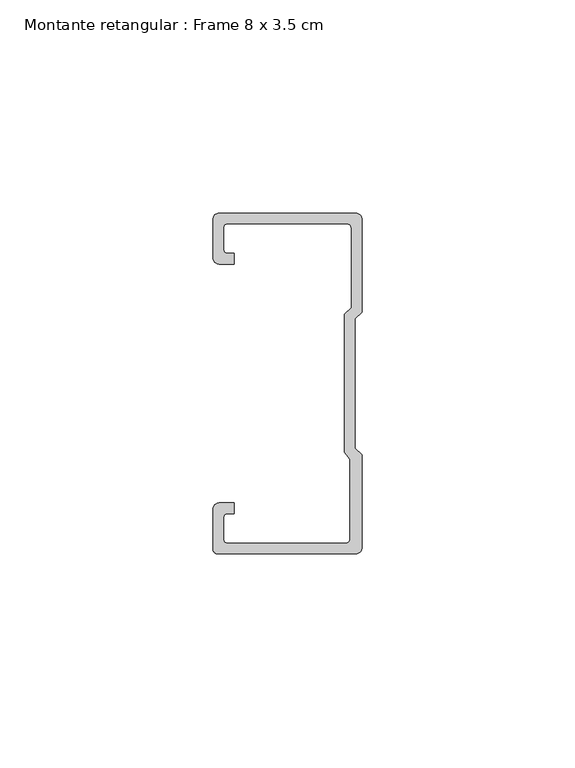
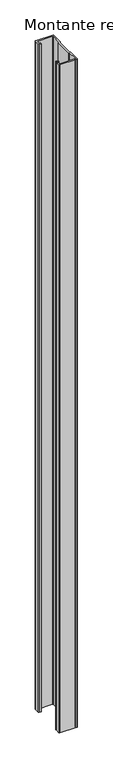
"""IFC4 building model written with IfcOpenShell, lengths in millimetres: member geometry, Montante retangular : Frame 8 x 3.5 cm."""

import ifcopenshell
import ifcopenshell.guid

model = None  # the IFC model being written
_history = None  # IfcOwnerHistory: only IFC2X3 demands one
_inside = {}  # id of a spatial element -> (the spatial element, [elements in it])
_under = {}  # id of a project, library or spatial element -> (it, [spatial elements below it])
_declared = {}  # id of a project -> (the project, [libraries it declares])
_typed = {}  # id of a type object -> (the type object, [elements of that type])
_made_of = {}  # id of a material, layer set ... -> (it, [elements and type objects made of it])


def new_model(schema):
    """Start an empty IFC model of exactly this schema.

    Asked for "IFC4X3", IfcOpenShell would pick the latest addendum, in which some entities
    have other attributes; the version numbers below select the first issue.
    IFC2X3 requires an IfcOwnerHistory on every rooted entity: one is made here for all.
    """
    global model, _history
    if schema == "IFC4X3":
        model = ifcopenshell.file(schema_version=(4, 3, 0, 0))
    else:
        model = ifcopenshell.file(schema=schema)
    _inside.clear()
    _under.clear()
    _declared.clear()
    _typed.clear()
    _made_of.clear()
    _history = None
    if model.schema == "IFC2X3":
        org = make("IfcOrganization", Name="unknown")
        user = make(
            "IfcPersonAndOrganization",
            ThePerson=make("IfcPerson", FamilyName="unknown"),
            TheOrganization=org,
        )
        app = make(
            "IfcApplication",
            ApplicationDeveloper=org,
            Version="unknown",
            ApplicationFullName="unknown",
            ApplicationIdentifier="unknown",
        )
        _history = make(
            "IfcOwnerHistory",
            OwningUser=user,
            OwningApplication=app,
            ChangeAction="ADDED",
            CreationDate=0,
        )
    return model


def make(cls, **values):
    """One entity of the class cls with the attributes given. An attribute that is None is left unset."""
    return model.create_entity(
        cls, **{name: value for name, value in values.items() if value is not None}
    )


def rooted(cls, **values):
    """An entity with a GlobalId (a new one), such as an element, a storey or a relation."""
    return make(cls, GlobalId=ifcopenshell.guid.new(), OwnerHistory=_history, **values)


def si_unit(unit_type, name, prefix=None):
    """IfcSIUnit, for example si_unit("LENGTHUNIT", "METRE", prefix="MILLI")."""
    return make("IfcSIUnit", UnitType=unit_type, Prefix=prefix, Name=name)


def assignment(units):
    """IfcUnitAssignment: the units of a project."""
    return None if units is None else make("IfcUnitAssignment", Units=units)


def point(xyz):
    """IfcCartesianPoint."""
    return None if xyz is None else make("IfcCartesianPoint", Coordinates=xyz)


def direction(xyz):
    """IfcDirection."""
    return None if xyz is None else make("IfcDirection", DirectionRatios=xyz)


def frame(location, z_axis=None, x_axis=None):
    """IfcAxis2Placement3D, a coordinate frame: its origin and axes. An axis left out is left unset."""
    return make(
        "IfcAxis2Placement3D",
        Location=point(location),
        Axis=direction(z_axis),
        RefDirection=direction(x_axis),
    )


def frame_2d(location, x_axis=None):
    """IfcAxis2Placement2D, a coordinate frame in the plane: its origin and x axis."""
    return make(
        "IfcAxis2Placement2D", Location=point(location), RefDirection=direction(x_axis)
    )


def origin():
    """The frame at (0, 0, 0) with its axes left unset."""
    return frame((0.0, 0.0, 0.0))


def place(relative_to, where):
    """IfcLocalPlacement: puts the frame where relative to a parent placement (None: the world)."""
    return make(
        "IfcLocalPlacement", PlacementRelTo=relative_to, RelativePlacement=where
    )


def context(
    kind, dimensions, precision=None, world=None, true_north=None, identifier=None
):
    """IfcGeometricRepresentationContext, for example the 3D "Model" context."""
    return make(
        "IfcGeometricRepresentationContext",
        ContextIdentifier=identifier,
        ContextType=kind,
        CoordinateSpaceDimension=dimensions,
        Precision=precision,
        WorldCoordinateSystem=world,
        TrueNorth=true_north,
    )


def project(units=None, contexts=None):
    """IfcProject with its units and contexts."""
    return rooted(
        "IfcProject",
        Name="project",
        RepresentationContexts=contexts,
        UnitsInContext=assignment(units),
    )


def spatial(cls, under=None, at=None, **own):
    """A site, building, storey or space (cls), placed at a placement, below another one or the project."""
    s = rooted(cls, ObjectPlacement=at, **own)
    if under is not None:
        _under.setdefault(under.id(), (under, []))[1].append(s)
    return s


def polyline(points):
    """IfcPolyline through the points."""
    return make("IfcPolyline", Points=[point(p) for p in points])


def circle_curve(where, radius):
    """IfcCircle in the frame where."""
    return make("IfcCircle", Position=where, Radius=radius)


def trimmed(basis, trim1, trim2, sense, master):
    """IfcTrimmedCurve: the piece of a basis curve between two trims."""
    return make(
        "IfcTrimmedCurve",
        BasisCurve=basis,
        Trim1=trim1,
        Trim2=trim2,
        SenseAgreement=sense,
        MasterRepresentation=master,
    )


def segment(curve, same_sense, transition):
    """IfcCompositeCurveSegment."""
    return make(
        "IfcCompositeCurveSegment",
        Transition=transition,
        SameSense=same_sense,
        ParentCurve=curve,
    )


def composite_curve(segments, self_intersect=None):
    """IfcCompositeCurve: segments joined end to end."""
    return make("IfcCompositeCurve", Segments=segments, SelfIntersect=self_intersect)


def outline(outer, holes=None, kind="AREA"):
    """IfcArbitraryClosedProfileDef: a profile drawn as a closed curve; with holes, ...WithVoids."""
    if holes is None:
        return make("IfcArbitraryClosedProfileDef", ProfileType=kind, OuterCurve=outer)
    return make(
        "IfcArbitraryProfileDefWithVoids",
        ProfileType=kind,
        OuterCurve=outer,
        InnerCurves=holes,
    )


def extrude(swept, where, along, depth):
    """IfcExtrudedAreaSolid: the profile swept, set in the frame where, extruded along a direction by depth."""
    return make(
        "IfcExtrudedAreaSolid",
        SweptArea=swept,
        Position=where,
        ExtrudedDirection=direction(along),
        Depth=depth,
    )


def shape(context_of_items, identifier, shape_type, items):
    """IfcShapeRepresentation: the items that make up one representation, for example the "Body"."""
    return make(
        "IfcShapeRepresentation",
        ContextOfItems=context_of_items,
        RepresentationIdentifier=identifier,
        RepresentationType=shape_type,
        Items=items,
    )


def source(mapping_origin, context_of_items, identifier, shape_type, items):
    """IfcRepresentationMap: a shape defined once, which mapped items show again and again."""
    return make(
        "IfcRepresentationMap",
        MappingOrigin=mapping_origin,
        MappedRepresentation=shape(context_of_items, identifier, shape_type, items),
    )


def transform(
    local_origin,
    x_axis=None,
    y_axis=None,
    z_axis=None,
    scale=None,
    scale2=None,
    scale3=None,
    uniform=True,
):
    """IfcCartesianTransformationOperator3D, or its non-uniform kind. x_axis, y_axis, z_axis: its Axis1, 2, 3."""
    if uniform:
        return make(
            "IfcCartesianTransformationOperator3D",
            Axis1=direction(x_axis),
            Axis2=direction(y_axis),
            LocalOrigin=point(local_origin),
            Scale=scale,
            Axis3=direction(z_axis),
        )
    return make(
        "IfcCartesianTransformationOperator3DnonUniform",
        Axis1=direction(x_axis),
        Axis2=direction(y_axis),
        LocalOrigin=point(local_origin),
        Scale=scale,
        Axis3=direction(z_axis),
        Scale2=scale2,
        Scale3=scale3,
    )


def mapped(mapping_source, mapping_target):
    """IfcMappedItem: shows the shape of a source again, moved by a transform."""
    return make(
        "IfcMappedItem", MappingSource=mapping_source, MappingTarget=mapping_target
    )


def made_of(thing, what):
    """Note that an element or type object is made of a material, layer set ...; save() writes the relation."""
    if what is not None:
        _made_of.setdefault(what.id(), (what, []))[1].append(thing)
    return thing


def element(
    cls,
    number,
    at=None,
    inside=None,
    cuts=None,
    type_object=None,
    material=None,
    context=None,
    identifier="Body",
    shape_type=None,
    held_by="IfcProductDefinitionShape",
    body=None,
    shapes=None,
    **own,
):
    """One element of the class cls, such as IfcWall. Its Tag is "e" and its number.

    at: its placement. inside: the storey or other place that contains it. cuts: it is an
    opening in that element (IfcRelVoidsElement). A single representation is given by context,
    identifier, shape_type and body (its items); several are given by shapes. held_by: the class
    of the entity that holds the representations. save() writes the other relations.
    """
    e = rooted(cls, Tag="e%d" % number, ObjectPlacement=at, **own)
    if body is not None:
        shapes = [shape(context, identifier, shape_type, body)]
    if shapes is not None:
        e.Representation = make(held_by, Representations=shapes)
    if inside is not None:
        _inside.setdefault(inside.id(), (inside, []))[1].append(e)
    if cuts is not None:
        rooted(
            "IfcRelVoidsElement", RelatingBuildingElement=cuts, RelatedOpeningElement=e
        )
    if type_object is not None:
        _typed.setdefault(type_object.id(), (type_object, []))[1].append(e)
    return made_of(e, material)


def aggregate(whole, parts):
    """IfcRelAggregates: a whole, such as a stair, and the parts it consists of."""
    return rooted("IfcRelAggregates", RelatingObject=whole, RelatedObjects=parts)


def save(model, path):
    """Write the relations noted so far, then the file.

    IfcRelAggregates (storeys below a building ...), IfcRelContainedInSpatialStructure (elements
    in a storey), IfcRelDefinesByType, IfcRelAssociatesMaterial and IfcRelDeclares: one each for
    every whole, place, type object, material and project.
    """
    for whole, parts in _under.values():
        aggregate(whole, parts)
    for where, things in _inside.values():
        rooted(
            "IfcRelContainedInSpatialStructure",
            RelatedElements=things,
            RelatingStructure=where,
        )
    for kind, things in _typed.values():
        rooted("IfcRelDefinesByType", RelatedObjects=things, RelatingType=kind)
    for what, things in _made_of.values():
        rooted("IfcRelAssociatesMaterial", RelatedObjects=things, RelatingMaterial=what)
    for by, libraries in _declared.values():
        rooted("IfcRelDeclares", RelatingContext=by, RelatedDefinitions=libraries)
    model.write(path)


def montante_retangular_frame_8_x_3_5_cm_cd5566f3(model_context):
    return source(origin(), model_context, "Body", "SweptSolid", [
        extrude(outline(composite_curve([segment(polyline([(-17.5, 29.5276505), (-17.5, 38.5)]), True, "CONTINUOUS"), segment(trimmed(circle_curve(frame_2d((-16.0, 38.5)), 1.5), [point((-17.5, 38.5))], [point((-16.0, 40.0))], False, "CARTESIAN"), True, "CONTINUOUS"), segment(polyline([(-16.0, 40.0), (16.0, 40.0)]), True, "CONTINUOUS"), segment(trimmed(circle_curve(frame_2d((16.0, 38.5)), 1.5), [point((16.0, 40.0))], [point((17.5, 38.5))], False, "CARTESIAN"), True, "CONTINUOUS"), segment(polyline([(17.5, 38.5), (17.5, 16.7622662), (15.9122869, 15.174553), (15.9122869, -15.174553), (17.5, -16.7622662), (17.5, -38.5)]), True, "CONTINUOUS"), segment(trimmed(circle_curve(frame_2d((16.0, -38.5)), 1.5), [point((17.5, -38.5))], [point((16.0, -40.0))], False, "CARTESIAN"), True, "CONTINUOUS"), segment(polyline([(16.0, -40.0), (-16.3171833, -40.0)]), True, "CONTINUOUS"), segment(trimmed(circle_curve(frame_2d((-16.3171833, -38.8171833)), 1.1828167), [point((-16.3171833, -40.0))], [point((-17.5, -38.8171833))], False, "CARTESIAN"), True, "CONTINUOUS"), segment(polyline([(-17.5, -38.8171833), (-17.5, -29.5276505)]), True, "CONTINUOUS"), segment(trimmed(circle_curve(frame_2d((-16.0, -29.5276505)), 1.5), [point((-17.5, -29.5276505))], [point((-16.0, -28.0276505))], False, "CARTESIAN"), True, "CONTINUOUS"), segment(polyline([(-16.0, -28.0276505), (-12.5162256, -28.0276505), (-12.5162256, -30.5276505), (-14.0, -30.5276505)]), True, "CONTINUOUS"), segment(trimmed(circle_curve(frame_2d((-14.0, -31.5276505)), 1.0), [point((-14.0, -30.5276505))], [point((-15.0, -31.5276505))], True, "CARTESIAN"), True, "CONTINUOUS"), segment(polyline([(-15.0, -31.5276505), (-15.0, -36.5)]), True, "CONTINUOUS"), segment(trimmed(circle_curve(frame_2d((-14.0, -36.5)), 1.0), [point((-15.0, -36.5))], [point((-14.0, -37.5))], True, "CARTESIAN"), True, "CONTINUOUS"), segment(polyline([(-14.0, -37.5), (13.692786, -37.5)]), True, "CONTINUOUS"), segment(trimmed(circle_curve(frame_2d((13.692786, -36.5)), 1.0), [point((13.692786, -37.5))], [point((14.692786, -36.5))], True, "CARTESIAN"), True, "CONTINUOUS"), segment(polyline([(14.692786, -36.5), (14.692786, -17.7671948), (13.4122869, -16.1794816), (13.4122869, 16.2100869), (15.0, 17.7978001), (15.0, 36.5)]), True, "CONTINUOUS"), segment(trimmed(circle_curve(frame_2d((14.0, 36.5)), 1.0), [point((15.0, 36.5))], [point((14.0, 37.5))], True, "CARTESIAN"), True, "CONTINUOUS"), segment(polyline([(14.0, 37.5), (-14.0, 37.5)]), True, "CONTINUOUS"), segment(trimmed(circle_curve(frame_2d((-14.0, 36.5)), 1.0), [point((-14.0, 37.5))], [point((-15.0, 36.5))], True, "CARTESIAN"), True, "CONTINUOUS"), segment(polyline([(-15.0, 36.5), (-15.0, 31.5276505)]), True, "CONTINUOUS"), segment(trimmed(circle_curve(frame_2d((-14.0, 31.5276505)), 1.0), [point((-15.0, 31.5276505))], [point((-14.0, 30.5276505))], True, "CARTESIAN"), True, "CONTINUOUS"), segment(polyline([(-14.0, 30.5276505), (-12.5162256, 30.5276505), (-12.5162256, 28.0276505), (-16.0, 28.0276505)]), True, "CONTINUOUS"), segment(trimmed(circle_curve(frame_2d((-16.0, 29.5276505)), 1.5), [point((-16.0, 28.0276505))], [point((-17.5, 29.5276505))], False, "CARTESIAN"), True, "CONTINUOUS")], self_intersect=False)), frame((0.0, 0.0, -1342.5), z_axis=(0.0, 0.0, 1.0), x_axis=(1.0, 0.0, 0.0)), (0.0, 0.0, 1.0), 1342.5),
    ])


if __name__ == "__main__":
    model = new_model("IFC4")
    model_context = context("Model", 3, world=origin())
    ifc_project = project(units=[si_unit("LENGTHUNIT", "METRE", prefix="MILLI")], contexts=[model_context])
    site = spatial("IfcSite", under=ifc_project)
    building = spatial("IfcBuilding", under=site)
    placement = place(None, origin())
    montante_retangular_frame_8_x_3_5_cm_shape = montante_retangular_frame_8_x_3_5_cm_cd5566f3(model_context)
    element("IfcMember", 1, ObjectType="Montante retangular : Frame 8 x 3.5 cm", at=placement, inside=building, context=model_context, shape_type="MappedRepresentation", body=[
        mapped(montante_retangular_frame_8_x_3_5_cm_shape, transform((0.0, 0.0, 0.0), x_axis=(1.0, 0.0, 0.0), y_axis=(0.0, 1.0, 0.0), z_axis=(0.0, 0.0, 1.0))),
    ])
    save(model, "model.ifc")
